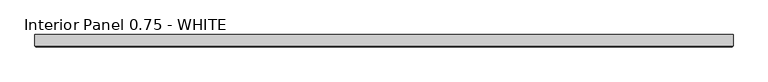
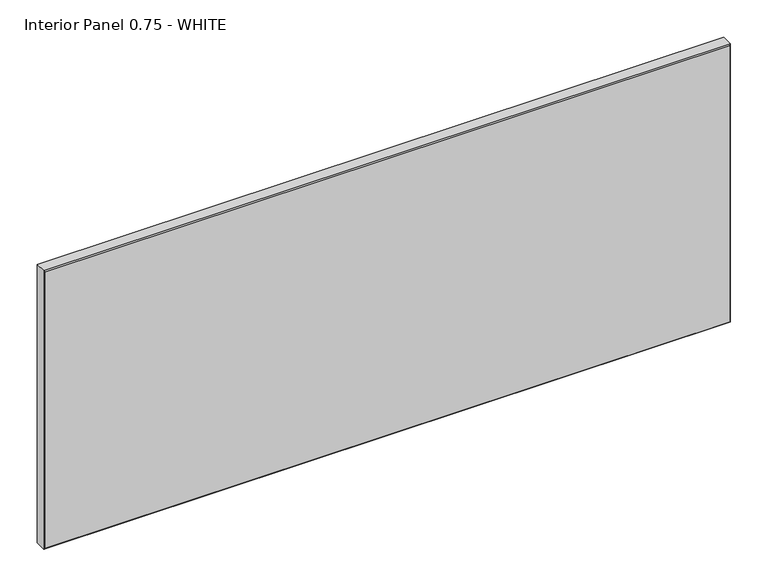
"""IFC4 building model written with IfcOpenShell, lengths in millimetres: proxy geometry, Interior Panel 0.75 - WHITE."""

from ifc_helpers import new_model, si_unit, origin, place, context, project, spatial, faceted_brep, source, transform, mapped, element, save


def interior_panel_0_75_white_47541d42(model_context):
    return source(origin(), model_context, "Body", "Brep", [
        faceted_brep([(992.1875, 3.175, 457.2), (-73.025, 3.175, 457.2), (-73.025, -14.2875, 457.2), (992.1875, -14.2875, 457.2), (992.1875, 3.175, 0.0), (992.1875, -14.2875, 0.0), (-73.025, -14.2875, 0.0), (-73.025, 3.175, 0.0), (-71.4375, -15.875, 455.6125), (-71.4375, -15.875, 1.5875), (990.6, -15.875, 1.5875), (990.6, -15.875, 455.6125)], [[[0, 1, 2, 3]], [[4, 5, 6, 7]], [[1, 0, 4, 7]], [[2, 1, 7, 6]], [[8, 9, 10, 11]], [[0, 3, 5, 4]], [[2, 6, 9, 8]], [[5, 3, 11, 10]], [[3, 2, 8, 11]], [[6, 5, 10, 9]]]),
    ])


if __name__ == "__main__":
    model = new_model("IFC4")
    model_context = context("Model", 3, world=origin())
    ifc_project = project(units=[si_unit("LENGTHUNIT", "METRE", prefix="MILLI")], contexts=[model_context])
    site = spatial("IfcSite", under=ifc_project)
    building = spatial("IfcBuilding", under=site)
    placement = place(None, origin())
    interior_panel_0_75_white_shape = interior_panel_0_75_white_47541d42(model_context)
    element("IfcBuildingElementProxy", 1, Name="Interior Panel 0.75 - WHITE", ObjectType="Interior Panel 0.75 - WHITE", at=placement, inside=building, context=model_context, shape_type="MappedRepresentation", body=[
        mapped(interior_panel_0_75_white_shape, transform((0.0, 0.0, 0.0), x_axis=(1.0, 0.0, 0.0), y_axis=(0.0, 1.0, 0.0), z_axis=(0.0, 0.0, 1.0))),
    ])
    save(model, "model.ifc")
